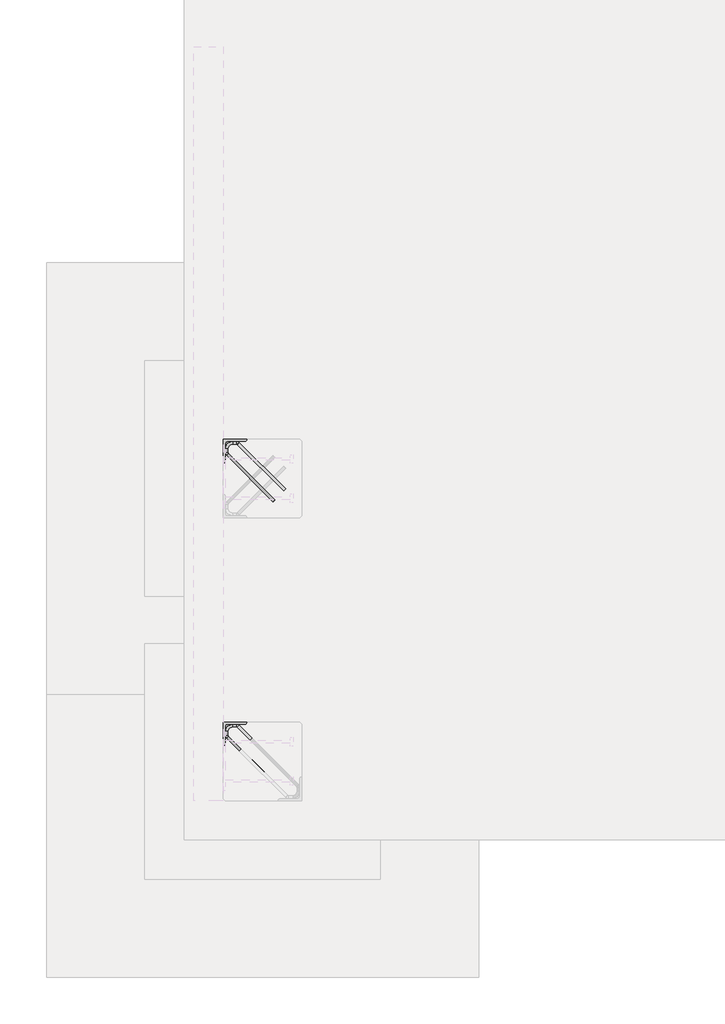
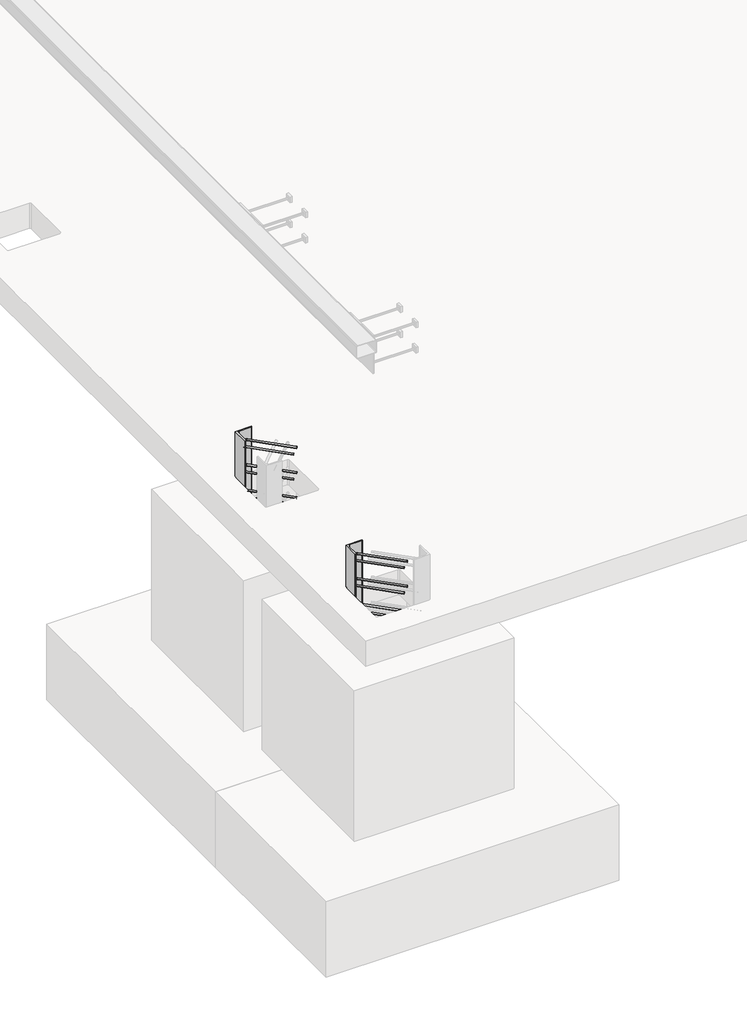
# One storey, part 2 of 65: 2 fasteners.
"""IFC4 building model written with IfcOpenShell, lengths in millimetres."""

from ifc_helpers import new_model, si_unit, point, frame, frame_2d, origin, place, context, project, spatial, polyline, circle_curve, ellipse_curve, trimmed, segment, composite_curve, outline, extrude, element, save
from ifc_brep_helpers import plane_surface, cylinder_surface, revolved_surface, advanced_brep

model = new_model("IFC4")

# Units and contexts
model_context = context("Model", 3, world=origin())
ifc_project = project(units=[si_unit("LENGTHUNIT", "METRE", prefix="MILLI")], contexts=[model_context])

# Site, building, storey
site = spatial("IfcSite", under=ifc_project)
building = spatial("IfcBuilding", under=site)
storey = spatial("IfcBuildingStorey", under=building, Elevation=0.0)

# Fasteners
placement = place(None, origin())
element("IfcFastener", 1, at=placement, inside=storey, context=model_context, shape_type="SolidModel", body=[
    advanced_brep(
    [(10117.4371209, 11387.4623741, -120.0), (10107.5376259, 11377.5628791, -120.0), (10052.5376259, 11322.5628791, -120.0), (10062.4371209, 11332.4623741, -120.0), (9824.0, 11593.0, -120.0), (9810.0, 11593.0, -120.0), (9810.0, 11574.2132034, -120.0), (9824.0, 11574.2132034, -120.0), (9847.0, 11616.0, -120.0), (9847.0, 11630.0, -120.0), (9865.7867966, 11616.0, -120.0), (9865.7867966, 11630.0, -120.0), (9881.3431458, 11623.5563492, -120.0), (9871.4436508, 11613.6568542, -120.0), (9826.3431458, 11568.5563492, -120.0), (9816.4436508, 11558.6568542, -120.0)],
    [
        (0, 1, circle_curve(frame((10112.4873734, 11382.5126266, -120.0), z_axis=(0.7071067811865446, -0.7071067811865505, 0.0), x_axis=(-0.7071067811865506, -0.7071067811865447, 0.0)), 7.0)),
        (1, 0, circle_curve(frame((10112.4873734, 11382.5126266, -120.0), z_axis=(0.7071067811865446, -0.7071067811865505, 0.0), x_axis=(-0.7071067811865506, -0.7071067811865447, 0.0)), 7.0)),
        (2, 3, circle_curve(frame((10057.4873734, 11327.5126266, -120.0), z_axis=(0.7071067811865447, -0.7071067811865503, 0.0), x_axis=(0.7071067811865503, 0.7071067811865447, 0.0)), 7.0)),
        (3, 2, circle_curve(frame((10057.4873734, 11327.5126266, -120.0), z_axis=(0.7071067811865447, -0.7071067811865503, 0.0), x_axis=(0.7071067811865503, 0.7071067811865447, 0.0)), 7.0)),
        (4, 5, circle_curve(frame((9817.0, 11593.0, -120.0), z_axis=(0.0, -1.0, 0.0), x_axis=(1.0, 0.0, 0.0)), 7.0)),
        (5, 6),
        (6, 7, circle_curve(frame((9817.0, 11574.2132034, -120.0), z_axis=(0.0, 1.0, 0.0), x_axis=(1.0, 0.0, 0.0)), 7.0)),
        (7, 4),
        (5, 4, circle_curve(frame((9817.0, 11593.0, -120.0), z_axis=(0.0, -1.0, 0.0), x_axis=(1.0, 0.0, 0.0)), 7.0)),
        (7, 6, circle_curve(frame((9817.0, 11574.2132034, -120.0), z_axis=(0.0, 1.0, 0.0), x_axis=(1.0, 0.0, 0.0)), 7.0)),
        (4, 8, circle_curve(frame((9847.0, 11593.0, -120.0), z_axis=(0.0, 0.0, -1.0), x_axis=(0.0, 1.0, 0.0)), 23.0)),
        (8, 9, circle_curve(frame((9847.0, 11623.0, -120.0), z_axis=(-1.0, 0.0, 0.0), x_axis=(0.0, -1.0, 0.0)), 7.0)),
        (9, 5, circle_curve(frame((9847.0, 11593.0, -120.0), z_axis=(0.0, 0.0, 1.0), x_axis=(0.0, 1.0, 0.0)), 37.0)),
        (9, 8, circle_curve(frame((9847.0, 11623.0, -120.0), z_axis=(-1.0, 0.0, 0.0), x_axis=(0.0, -1.0, 0.0)), 7.0)),
        (10, 11, circle_curve(frame((9865.7867966, 11623.0, -120.0), z_axis=(-1.0, 0.0, 0.0), x_axis=(0.0, -1.0, 0.0)), 7.0)),
        (11, 9),
        (8, 10),
        (11, 10, circle_curve(frame((9865.7867966, 11623.0, -120.0), z_axis=(-1.0, 0.0, 0.0), x_axis=(0.0, -1.0, 0.0)), 7.0)),
        (0, 12),
        (12, 13, circle_curve(frame((9876.3933983, 11618.6066017, -120.0), z_axis=(0.7071067811865446, -0.7071067811865505, 0.0), x_axis=(-0.7071067811865506, -0.7071067811865447, 0.0)), 7.0)),
        (13, 1),
        (13, 12, circle_curve(frame((9876.3933983, 11618.6066017, -120.0), z_axis=(0.7071067811865446, -0.7071067811865505, 0.0), x_axis=(-0.7071067811865506, -0.7071067811865447, 0.0)), 7.0)),
        (10, 13, circle_curve(frame((9865.7867966, 11608.0, -120.0), z_axis=(0.0, 0.0, -1.0), x_axis=(0.7071067811865506, 0.7071067811865445, 0.0)), 8.0)),
        (12, 11, circle_curve(frame((9865.7867966, 11608.0, -120.0), z_axis=(0.0, 0.0, 1.0), x_axis=(0.7071067811865506, 0.7071067811865445, 0.0)), 22.0)),
        (14, 7, circle_curve(frame((9832.0, 11574.2132034, -120.0), z_axis=(0.0, 0.0, -1.0), x_axis=(-1.0, 0.0, 0.0)), 8.0)),
        (6, 15, circle_curve(frame((9832.0, 11574.2132034, -120.0), z_axis=(0.0, 0.0, 1.0), x_axis=(-1.0, 0.0, 0.0)), 22.0)),
        (15, 14, circle_curve(frame((9821.3933983, 11563.6066017, -120.0), z_axis=(-0.7071067811865449, 0.7071067811865501, 0.0), x_axis=(0.7071067811865501, 0.7071067811865449, 0.0)), 7.0)),
        (14, 15, circle_curve(frame((9821.3933983, 11563.6066017, -120.0), z_axis=(-0.7071067811865452, 0.7071067811865498, 0.0), x_axis=(0.7071067811865498, 0.7071067811865452, 0.0)), 7.0)),
        (15, 2),
        (3, 14),
    ],
    [
        plane_surface(frame((10112.4873734, 11382.5126266, -120.0), z_axis=(0.7071067811865446, -0.7071067811865505, 0.0), x_axis=(0.0, 0.0, 1.0))),
        plane_surface(frame((10057.4873734, 11327.5126266, -120.0), z_axis=(0.7071067811865447, -0.7071067811865503, 0.0), x_axis=(0.0, 0.0, 1.0))),
        cylinder_surface(frame((9817.0, 11593.0, -120.0), z_axis=(0.0, 1.0, 0.0), x_axis=(1.0, 0.0, 0.0)), 7.0),
        revolved_surface(trimmed(ellipse_curve(frame((9847.0, 11623.0, -120.0), z_axis=(1.0, 0.0, 0.0), x_axis=(0.0, -1.0, 0.0)), 7.0, 7.0), [point((9847.0, 11630.0, -120.0))], [point((9847.0, 11616.0, -120.0))], True, "CARTESIAN"), (9847.0, 11593.0, -120.0), (0.0, 0.0, 1.0)),
        revolved_surface(trimmed(ellipse_curve(frame((9847.0, 11623.0, -120.0), z_axis=(1.0, 0.0, 0.0), x_axis=(0.0, -1.0, 0.0)), 7.0, 7.0), [point((9847.0, 11616.0, -120.0))], [point((9847.0, 11630.0, -120.0))], True, "CARTESIAN"), (9847.0, 11593.0, -120.0), (0.0, 0.0, 1.0)),
        cylinder_surface(frame((9865.7867966, 11623.0, -120.0), z_axis=(1.0, 0.0, 0.0), x_axis=(0.0, -1.0, 0.0)), 7.0),
        cylinder_surface(frame((10112.4873734, 11382.5126266, -120.0), z_axis=(0.7071067811865447, -0.7071067811865506, 0.0), x_axis=(-0.7071067811865506, -0.7071067811865447, 0.0)), 7.0),
        revolved_surface(trimmed(ellipse_curve(frame((9876.3933983, 11618.6066017, -120.0), z_axis=(0.7071067811865445, -0.7071067811865506, 0.0), x_axis=(-0.7071067811865506, -0.7071067811865445, 0.0)), 7.0, 7.0), [point((9881.3431458, 11623.5563492, -120.0))], [point((9871.4436508, 11613.6568542, -120.0))], True, "CARTESIAN"), (9865.7867966, 11608.0, -120.0), (0.0, 0.0, 1.0)),
        revolved_surface(trimmed(ellipse_curve(frame((9876.3933983, 11618.6066017, -120.0), z_axis=(0.7071067811865445, -0.7071067811865506, 0.0), x_axis=(-0.7071067811865506, -0.7071067811865445, 0.0)), 7.0, 7.0), [point((9871.4436508, 11613.6568542, -120.0))], [point((9881.3431458, 11623.5563492, -120.0))], True, "CARTESIAN"), (9865.7867966, 11608.0, -120.0), (0.0, 0.0, 1.0)),
        revolved_surface(trimmed(ellipse_curve(frame((9817.0, 11574.2132034, -120.0), z_axis=(0.0, 1.0, 0.0), x_axis=(1.0, 0.0, 0.0)), 7.0, 7.0), [point((9810.0, 11574.2132034, -120.0))], [point((9824.0, 11574.2132034, -120.0))], True, "CARTESIAN"), (9832.0, 11574.2132034, -120.0), (0.0, 0.0, 1.0)),
        revolved_surface(trimmed(ellipse_curve(frame((9817.0, 11574.2132034, -120.0), z_axis=(0.0, 1.0, 0.0), x_axis=(1.0, 0.0, 0.0)), 7.0, 7.0), [point((9824.0, 11574.2132034, -120.0))], [point((9810.0, 11574.2132034, -120.0))], True, "CARTESIAN"), (9832.0, 11574.2132034, -120.0), (0.0, 0.0, 1.0)),
        cylinder_surface(frame((9821.3933983, 11563.6066017, -120.0), z_axis=(-0.7071067811865447, 0.7071067811865503, 0.0), x_axis=(0.7071067811865503, 0.7071067811865447, 0.0)), 7.0),
    ],
    [
        (0, [[1, 2]]),
        (1, [[3, 4]]),
        (2, [[5, 6, 7, 8]]),
        (2, [[9, -8, 10, -6]]),
        (3, [[11, 12, 13, -5]]),
        (4, [[-13, 14, -11, -9]]),
        (5, [[15, 16, -12, 17]]),
        (5, [[18, -17, -14, -16]]),
        (6, [[-1, 19, 20, 21]]),
        (6, [[-2, -21, 22, -19]]),
        (7, [[23, -20, 24, -15]]),
        (8, [[-24, -22, -23, -18]]),
        (9, [[25, -7, 26, 27]]),
        (10, [[-26, -10, -25, 28]]),
        (11, [[-27, 29, -4, 30]]),
        (11, [[-28, -30, -3, -29]]),
    ],
),
    advanced_brep(
    [(10107.5376259, 11377.5628791, 280.0), (10117.4371209, 11387.4623741, 280.0), (10062.4371209, 11332.4623741, 280.0), (10052.5376259, 11322.5628791, 280.0), (9810.0, 11593.0, 280.0), (9824.0, 11593.0, 280.0), (9824.0, 11574.2132034, 280.0), (9810.0, 11574.2132034, 280.0), (9847.0, 11630.0, 280.0), (9847.0, 11616.0, 280.0), (9865.7867966, 11630.0, 280.0), (9865.7867966, 11616.0, 280.0), (9871.4436508, 11613.6568542, 280.0), (9881.3431458, 11623.5563492, 280.0), (9816.4436508, 11558.6568542, 280.0), (9826.3431458, 11568.5563492, 280.0)],
    [
        (0, 1, circle_curve(frame((10112.4873734, 11382.5126266, 280.0), z_axis=(0.7071067811865446, -0.7071067811865505, 0.0), x_axis=(0.7071067811865506, 0.7071067811865447, 0.0)), 7.0)),
        (1, 0, circle_curve(frame((10112.4873734, 11382.5126266, 280.0), z_axis=(0.7071067811865446, -0.7071067811865505, 0.0), x_axis=(0.7071067811865506, 0.7071067811865447, 0.0)), 7.0)),
        (2, 3, circle_curve(frame((10057.4873734, 11327.5126266, 280.0), z_axis=(0.7071067811865447, -0.7071067811865505, 0.0), x_axis=(-0.7071067811865505, -0.7071067811865447, 0.0)), 7.0)),
        (3, 2, circle_curve(frame((10057.4873734, 11327.5126266, 280.0), z_axis=(0.7071067811865447, -0.7071067811865505, 0.0), x_axis=(-0.7071067811865505, -0.7071067811865447, 0.0)), 7.0)),
        (4, 5, circle_curve(frame((9817.0, 11593.0, 280.0), z_axis=(0.0, -1.0, 0.0), x_axis=(-1.0, 0.0, 0.0)), 7.0)),
        (5, 6),
        (6, 7, circle_curve(frame((9817.0, 11574.2132034, 280.0), z_axis=(0.0, 1.0, 0.0), x_axis=(-1.0, 0.0, 0.0)), 7.0)),
        (7, 4),
        (5, 4, circle_curve(frame((9817.0, 11593.0, 280.0), z_axis=(0.0, -1.0, 0.0), x_axis=(-1.0, 0.0, 0.0)), 7.0)),
        (7, 6, circle_curve(frame((9817.0, 11574.2132034, 280.0), z_axis=(0.0, 1.0, 0.0), x_axis=(-1.0, 0.0, 0.0)), 7.0)),
        (4, 8, circle_curve(frame((9847.0, 11593.0, 280.0), z_axis=(0.0, 0.0, -1.0), x_axis=(0.0, 1.0, 0.0)), 37.0)),
        (8, 9, circle_curve(frame((9847.0, 11623.0, 280.0), z_axis=(-1.0, 0.0, 0.0), x_axis=(0.0, 1.0, 0.0)), 7.0)),
        (9, 5, circle_curve(frame((9847.0, 11593.0, 280.0), z_axis=(0.0, 0.0, 1.0), x_axis=(0.0, 1.0, 0.0)), 23.0)),
        (9, 8, circle_curve(frame((9847.0, 11623.0, 280.0), z_axis=(-1.0, 0.0, 0.0), x_axis=(0.0, 1.0, 0.0)), 7.0)),
        (10, 11, circle_curve(frame((9865.7867966, 11623.0, 280.0), z_axis=(-1.0, 0.0, 0.0), x_axis=(0.0, 1.0, 0.0)), 7.0)),
        (11, 9),
        (8, 10),
        (11, 10, circle_curve(frame((9865.7867966, 11623.0, 280.0), z_axis=(-1.0, 0.0, 0.0), x_axis=(0.0, 1.0, 0.0)), 7.0)),
        (0, 12),
        (12, 13, circle_curve(frame((9876.3933983, 11618.6066017, 280.0), z_axis=(0.7071067811865446, -0.7071067811865505, 0.0), x_axis=(0.7071067811865506, 0.7071067811865447, 0.0)), 7.0)),
        (13, 1),
        (13, 12, circle_curve(frame((9876.3933983, 11618.6066017, 280.0), z_axis=(0.7071067811865446, -0.7071067811865505, 0.0), x_axis=(0.7071067811865506, 0.7071067811865447, 0.0)), 7.0)),
        (10, 13, circle_curve(frame((9865.7867966, 11608.0, 280.0), z_axis=(0.0, 0.0, -1.0), x_axis=(0.7071067811865506, 0.7071067811865445, 0.0)), 22.0)),
        (12, 11, circle_curve(frame((9865.7867966, 11608.0, 280.0), z_axis=(0.0, 0.0, 1.0), x_axis=(0.7071067811865506, 0.7071067811865445, 0.0)), 8.0)),
        (14, 7, circle_curve(frame((9832.0, 11574.2132034, 280.0), z_axis=(0.0, 0.0, -1.0), x_axis=(-1.0, 0.0, 0.0)), 22.0)),
        (6, 15, circle_curve(frame((9832.0, 11574.2132034, 280.0), z_axis=(0.0, 0.0, 1.0), x_axis=(-1.0, 0.0, 0.0)), 8.0)),
        (15, 14, circle_curve(frame((9821.3933983, 11563.6066017, 280.0), z_axis=(-0.7071067811865465, 0.7071067811865486, 0.0), x_axis=(-0.7071067811865486, -0.7071067811865465, 0.0)), 7.0)),
        (14, 15, circle_curve(frame((9821.3933983, 11563.6066017, 280.0), z_axis=(-0.7071067811865455, 0.7071067811865496, 0.0), x_axis=(-0.7071067811865496, -0.7071067811865455, 0.0)), 7.0)),
        (15, 2),
        (3, 14),
    ],
    [
        plane_surface(frame((10112.4873734, 11382.5126266, 280.0), z_axis=(0.7071067811865446, -0.7071067811865505, 0.0), x_axis=(0.0, 0.0, -1.0))),
        plane_surface(frame((10057.4873734, 11327.5126266, 280.0), z_axis=(0.7071067811865447, -0.7071067811865505, 0.0), x_axis=(0.0, 0.0, -1.0))),
        cylinder_surface(frame((9817.0, 11593.0, 280.0), z_axis=(0.0, 1.0, 0.0), x_axis=(-1.0, 0.0, 0.0)), 7.0),
        revolved_surface(trimmed(ellipse_curve(frame((9847.0, 11623.0, 280.0), z_axis=(1.0, 0.0, 0.0), x_axis=(0.0, 1.0, 0.0)), 7.0, 7.0), [point((9847.0, 11616.0, 280.0))], [point((9847.0, 11630.0, 280.0))], True, "CARTESIAN"), (9847.0, 11593.0, 280.0), (0.0, 0.0, 1.0)),
        revolved_surface(trimmed(ellipse_curve(frame((9847.0, 11623.0, 280.0), z_axis=(1.0, 0.0, 0.0), x_axis=(0.0, 1.0, 0.0)), 7.0, 7.0), [point((9847.0, 11630.0, 280.0))], [point((9847.0, 11616.0, 280.0))], True, "CARTESIAN"), (9847.0, 11593.0, 280.0), (0.0, 0.0, 1.0)),
        cylinder_surface(frame((9865.7867966, 11623.0, 280.0), z_axis=(1.0, 0.0, 0.0), x_axis=(0.0, 1.0, 0.0)), 7.0),
        cylinder_surface(frame((10112.4873734, 11382.5126266, 280.0), z_axis=(0.7071067811865447, -0.7071067811865506, 0.0), x_axis=(0.7071067811865506, 0.7071067811865447, 0.0)), 7.0),
        revolved_surface(trimmed(ellipse_curve(frame((9876.3933983, 11618.6066017, 280.0), z_axis=(0.7071067811865445, -0.7071067811865506, 0.0), x_axis=(0.7071067811865506, 0.7071067811865445, 0.0)), 7.0, 7.0), [point((9871.4436508, 11613.6568542, 280.0))], [point((9881.3431458, 11623.5563492, 280.0))], True, "CARTESIAN"), (9865.7867966, 11608.0, 280.0), (0.0, 0.0, 1.0)),
        revolved_surface(trimmed(ellipse_curve(frame((9876.3933983, 11618.6066017, 280.0), z_axis=(0.7071067811865445, -0.7071067811865506, 0.0), x_axis=(0.7071067811865506, 0.7071067811865445, 0.0)), 7.0, 7.0), [point((9881.3431458, 11623.5563492, 280.0))], [point((9871.4436508, 11613.6568542, 280.0))], True, "CARTESIAN"), (9865.7867966, 11608.0, 280.0), (0.0, 0.0, 1.0)),
        revolved_surface(trimmed(ellipse_curve(frame((9817.0, 11574.2132034, 280.0), z_axis=(0.0, 1.0, 0.0), x_axis=(-1.0, 0.0, 0.0)), 7.0, 7.0), [point((9824.0, 11574.2132034, 280.0))], [point((9810.0, 11574.2132034, 280.0))], True, "CARTESIAN"), (9832.0, 11574.2132034, 280.0), (0.0, 0.0, 1.0)),
        revolved_surface(trimmed(ellipse_curve(frame((9817.0, 11574.2132034, 280.0), z_axis=(0.0, 1.0, 0.0), x_axis=(-1.0, 0.0, 0.0)), 7.0, 7.0), [point((9810.0, 11574.2132034, 280.0))], [point((9824.0, 11574.2132034, 280.0))], True, "CARTESIAN"), (9832.0, 11574.2132034, 280.0), (0.0, 0.0, 1.0)),
        cylinder_surface(frame((9821.3933983, 11563.6066017, 280.0), z_axis=(-0.7071067811865447, 0.7071067811865505, 0.0), x_axis=(-0.7071067811865505, -0.7071067811865447, 0.0)), 7.0),
    ],
    [
        (0, [[1, 2]]),
        (1, [[3, 4]]),
        (2, [[5, 6, 7, 8]]),
        (2, [[9, -8, 10, -6]]),
        (3, [[11, 12, 13, -5]]),
        (4, [[-13, 14, -11, -9]]),
        (5, [[15, 16, -12, 17]]),
        (5, [[18, -17, -14, -16]]),
        (6, [[-1, 19, 20, 21]]),
        (6, [[-2, -21, 22, -19]]),
        (7, [[23, -20, 24, -15]]),
        (8, [[-24, -22, -23, -18]]),
        (9, [[25, -7, 26, 27]]),
        (10, [[-26, -10, -25, 28]]),
        (11, [[-27, 29, -4, 30]]),
        (11, [[-28, -30, -3, -29]]),
    ],
),
    advanced_brep(
    [(10107.5376259, 11377.5628791, 80.0), (10117.4371209, 11387.4623741, 80.0), (10062.4371209, 11332.4623741, 80.0), (10052.5376259, 11322.5628791, 80.0), (9810.0, 11593.0, 80.0), (9824.0, 11593.0, 80.0), (9824.0, 11574.2132034, 80.0), (9810.0, 11574.2132034, 80.0), (9847.0, 11630.0, 80.0), (9847.0, 11616.0, 80.0), (9865.7867966, 11630.0, 80.0), (9865.7867966, 11616.0, 80.0), (9871.4436508, 11613.6568542, 80.0), (9881.3431458, 11623.5563492, 80.0), (9816.4436508, 11558.6568542, 80.0), (9826.3431458, 11568.5563492, 80.0)],
    [
        (0, 1, circle_curve(frame((10112.4873734, 11382.5126266, 80.0), z_axis=(0.7071067811865446, -0.7071067811865505, 0.0), x_axis=(0.7071067811865505, 0.7071067811865446, 0.0)), 7.0)),
        (1, 0, circle_curve(frame((10112.4873734, 11382.5126266, 80.0), z_axis=(0.7071067811865446, -0.7071067811865505, 0.0), x_axis=(0.7071067811865505, 0.7071067811865446, 0.0)), 7.0)),
        (2, 3, circle_curve(frame((10057.4873734, 11327.5126266, 80.0), z_axis=(0.7071067811865447, -0.7071067811865505, 0.0), x_axis=(-0.7071067811865505, -0.7071067811865447, 0.0)), 7.0)),
        (3, 2, circle_curve(frame((10057.4873734, 11327.5126266, 80.0), z_axis=(0.7071067811865447, -0.7071067811865505, 0.0), x_axis=(-0.7071067811865505, -0.7071067811865447, 0.0)), 7.0)),
        (4, 5, circle_curve(frame((9817.0, 11593.0, 80.0), z_axis=(0.0, -1.0, 0.0), x_axis=(-1.0, 0.0, 0.0)), 7.0)),
        (5, 6),
        (6, 7, circle_curve(frame((9817.0, 11574.2132034, 80.0), z_axis=(0.0, 1.0, 0.0), x_axis=(-1.0, 0.0, 0.0)), 7.0)),
        (7, 4),
        (5, 4, circle_curve(frame((9817.0, 11593.0, 80.0), z_axis=(0.0, -1.0, 0.0), x_axis=(-1.0, 0.0, 0.0)), 7.0)),
        (7, 6, circle_curve(frame((9817.0, 11574.2132034, 80.0), z_axis=(0.0, 1.0, 0.0), x_axis=(-1.0, 0.0, 0.0)), 7.0)),
        (4, 8, circle_curve(frame((9847.0, 11593.0, 80.0), z_axis=(0.0, 0.0, -1.0), x_axis=(0.0, 1.0, 0.0)), 37.0)),
        (8, 9, circle_curve(frame((9847.0, 11623.0, 80.0), z_axis=(-1.0, 0.0, 0.0), x_axis=(0.0, 1.0, 0.0)), 7.0)),
        (9, 5, circle_curve(frame((9847.0, 11593.0, 80.0), z_axis=(0.0, 0.0, 1.0), x_axis=(0.0, 1.0, 0.0)), 23.0)),
        (9, 8, circle_curve(frame((9847.0, 11623.0, 80.0), z_axis=(-1.0, 0.0, 0.0), x_axis=(0.0, 1.0, 0.0)), 7.0)),
        (10, 11, circle_curve(frame((9865.7867966, 11623.0, 80.0), z_axis=(-1.0, 0.0, 0.0), x_axis=(0.0, 1.0, 0.0)), 7.0)),
        (11, 9),
        (8, 10),
        (11, 10, circle_curve(frame((9865.7867966, 11623.0, 80.0), z_axis=(-1.0, 0.0, 0.0), x_axis=(0.0, 1.0, 0.0)), 7.0)),
        (0, 12),
        (12, 13, circle_curve(frame((9876.3933983, 11618.6066017, 80.0), z_axis=(0.7071067811865446, -0.7071067811865505, 0.0), x_axis=(0.7071067811865505, 0.7071067811865446, 0.0)), 7.0)),
        (13, 1),
        (13, 12, circle_curve(frame((9876.3933983, 11618.6066017, 80.0), z_axis=(0.7071067811865446, -0.7071067811865505, 0.0), x_axis=(0.7071067811865505, 0.7071067811865446, 0.0)), 7.0)),
        (10, 13, circle_curve(frame((9865.7867966, 11608.0, 80.0), z_axis=(0.0, 0.0, -1.0), x_axis=(0.7071067811865506, 0.7071067811865445, 0.0)), 22.0)),
        (12, 11, circle_curve(frame((9865.7867966, 11608.0, 80.0), z_axis=(0.0, 0.0, 1.0), x_axis=(0.7071067811865506, 0.7071067811865445, 0.0)), 8.0)),
        (14, 7, circle_curve(frame((9832.0, 11574.2132034, 80.0), z_axis=(0.0, 0.0, -1.0), x_axis=(-1.0, 0.0, 0.0)), 22.0)),
        (6, 15, circle_curve(frame((9832.0, 11574.2132034, 80.0), z_axis=(0.0, 0.0, 1.0), x_axis=(-1.0, 0.0, 0.0)), 8.0)),
        (15, 14, circle_curve(frame((9821.3933983, 11563.6066017, 80.0), z_axis=(-0.7071067811865448, 0.7071067811865502, 0.0), x_axis=(-0.7071067811865502, -0.7071067811865448, 0.0)), 7.0)),
        (14, 15, circle_curve(frame((9821.3933983, 11563.6066017, 80.0), z_axis=(-0.7071067811865449, 0.7071067811865501, 0.0), x_axis=(-0.7071067811865501, -0.7071067811865449, 0.0)), 7.0)),
        (15, 2),
        (3, 14),
    ],
    [
        plane_surface(frame((10112.4873734, 11382.5126266, 80.0), z_axis=(0.7071067811865446, -0.7071067811865505, 0.0), x_axis=(0.0, 0.0, -1.0))),
        plane_surface(frame((10057.4873734, 11327.5126266, 80.0), z_axis=(0.7071067811865448, -0.7071067811865503, 0.0), x_axis=(0.0, 0.0, -1.0))),
        cylinder_surface(frame((9817.0, 11593.0, 80.0), z_axis=(0.0, 1.0, 0.0), x_axis=(-1.0, 0.0, 0.0)), 7.0),
        revolved_surface(trimmed(ellipse_curve(frame((9847.0, 11623.0, 80.0), z_axis=(1.0, 0.0, 0.0), x_axis=(0.0, 1.0, 0.0)), 7.0, 7.0), [point((9847.0, 11616.0, 80.0))], [point((9847.0, 11630.0, 80.0))], True, "CARTESIAN"), (9847.0, 11593.0, 80.0), (0.0, 0.0, 1.0)),
        revolved_surface(trimmed(ellipse_curve(frame((9847.0, 11623.0, 80.0), z_axis=(1.0, 0.0, 0.0), x_axis=(0.0, 1.0, 0.0)), 7.0, 7.0), [point((9847.0, 11630.0, 80.0))], [point((9847.0, 11616.0, 80.0))], True, "CARTESIAN"), (9847.0, 11593.0, 80.0), (0.0, 0.0, 1.0)),
        cylinder_surface(frame((9865.7867966, 11623.0, 80.0), z_axis=(1.0, 0.0, 0.0), x_axis=(0.0, 1.0, 0.0)), 7.0),
        cylinder_surface(frame((10112.4873734, 11382.5126266, 80.0), z_axis=(0.7071067811865446, -0.7071067811865505, 0.0), x_axis=(0.7071067811865505, 0.7071067811865446, 0.0)), 7.0),
        revolved_surface(trimmed(ellipse_curve(frame((9876.3933983, 11618.6066017, 80.0), z_axis=(0.7071067811865444, -0.7071067811865507, 0.0), x_axis=(0.7071067811865507, 0.7071067811865444, 0.0)), 7.0, 7.0), [point((9871.4436508, 11613.6568542, 80.0))], [point((9881.3431458, 11623.5563492, 80.0))], True, "CARTESIAN"), (9865.7867966, 11608.0, 80.0), (0.0, 0.0, 1.0)),
        revolved_surface(trimmed(ellipse_curve(frame((9876.3933983, 11618.6066017, 80.0), z_axis=(0.7071067811865444, -0.7071067811865507, 0.0), x_axis=(0.7071067811865507, 0.7071067811865444, 0.0)), 7.0, 7.0), [point((9881.3431458, 11623.5563492, 80.0))], [point((9871.4436508, 11613.6568542, 80.0))], True, "CARTESIAN"), (9865.7867966, 11608.0, 80.0), (0.0, 0.0, 1.0)),
        revolved_surface(trimmed(ellipse_curve(frame((9817.0, 11574.2132034, 80.0), z_axis=(0.0, 1.0, 0.0), x_axis=(-1.0, 0.0, 0.0)), 7.0, 7.0), [point((9824.0, 11574.2132034, 80.0))], [point((9810.0, 11574.2132034, 80.0))], True, "CARTESIAN"), (9832.0, 11574.2132034, 80.0), (0.0, 0.0, 1.0)),
        revolved_surface(trimmed(ellipse_curve(frame((9817.0, 11574.2132034, 80.0), z_axis=(0.0, 1.0, 0.0), x_axis=(-1.0, 0.0, 0.0)), 7.0, 7.0), [point((9810.0, 11574.2132034, 80.0))], [point((9824.0, 11574.2132034, 80.0))], True, "CARTESIAN"), (9832.0, 11574.2132034, 80.0), (0.0, 0.0, 1.0)),
        cylinder_surface(frame((9821.3933983, 11563.6066017, 80.0), z_axis=(-0.7071067811865447, 0.7071067811865505, 0.0), x_axis=(-0.7071067811865505, -0.7071067811865447, 0.0)), 7.0),
    ],
    [
        (0, [[1, 2]]),
        (1, [[3, 4]]),
        (2, [[5, 6, 7, 8]]),
        (2, [[9, -8, 10, -6]]),
        (3, [[11, 12, 13, -5]]),
        (4, [[-13, 14, -11, -9]]),
        (5, [[15, 16, -12, 17]]),
        (5, [[18, -17, -14, -16]]),
        (6, [[-1, 19, 20, 21]]),
        (6, [[-2, -21, 22, -19]]),
        (7, [[23, -20, 24, -15]]),
        (8, [[-24, -22, -23, -18]]),
        (9, [[25, -7, 26, 27]]),
        (10, [[-26, -10, -25, 28]]),
        (11, [[-27, 29, -4, 30]]),
        (11, [[-28, -30, -3, -29]]),
    ],
),
    extrude(outline(composite_curve([segment(polyline([(9800.0, 11640.0), (9920.0, 11640.0), (9920.0, 11636.5)]), True, "CONTINUOUS"), segment(trimmed(circle_curve(frame_2d((9913.5, 11636.5)), 6.5), [point((9920.0, 11636.5))], [point((9913.5, 11630.0))], False, "CARTESIAN"), True, "CONTINUOUS"), segment(polyline([(9913.5, 11630.0), (9823.0, 11630.0)]), True, "CONTINUOUS"), segment(trimmed(circle_curve(frame_2d((9823.0, 11617.0)), 13.0), [point((9823.0, 11630.0))], [point((9810.0, 11617.0))], True, "CARTESIAN"), True, "CONTINUOUS"), segment(polyline([(9810.0, 11617.0), (9810.0, 11526.5)]), True, "CONTINUOUS"), segment(trimmed(circle_curve(frame_2d((9803.5, 11526.5)), 6.5), [point((9810.0, 11526.5))], [point((9803.5, 11520.0))], False, "CARTESIAN"), True, "CONTINUOUS"), segment(polyline([(9803.5, 11520.0), (9800.0, 11520.0), (9800.0, 11640.0)]), True, "CONTINUOUS")], self_intersect=False)), frame((0.0, 0.0, -200.0), z_axis=(0.0, 0.0, 1.0), x_axis=(1.0, 0.0, 0.0)), (0.0, 0.0, 1.0), 560.0),
])
element("IfcFastener", 2, at=placement, inside=storey, context=model_context, shape_type="SolidModel", body=[
    advanced_brep(
    [(10117.4371209, 9947.4623741, -150.0), (10107.5376259, 9937.5628791, -150.0), (10052.5376259, 9882.5628791, -150.0), (10062.4371209, 9892.4623741, -150.0), (9824.0, 10153.0, -150.0), (9810.0, 10153.0, -150.0), (9810.0, 10134.2132034, -150.0), (9824.0, 10134.2132034, -150.0), (9847.0, 10176.0, -150.0), (9847.0, 10190.0, -150.0), (9865.7867966, 10176.0, -150.0), (9865.7867966, 10190.0, -150.0), (9881.3431458, 10183.5563492, -150.0), (9871.4436508, 10173.6568542, -150.0), (9826.3431458, 10128.5563492, -150.0), (9816.4436508, 10118.6568542, -150.0)],
    [
        (0, 1, circle_curve(frame((10112.4873734, 9942.5126266, -150.0), z_axis=(0.7071067811865446, -0.7071067811865505, 0.0), x_axis=(-0.7071067811865506, -0.7071067811865447, 0.0)), 7.0)),
        (1, 0, circle_curve(frame((10112.4873734, 9942.5126266, -150.0), z_axis=(0.7071067811865446, -0.7071067811865505, 0.0), x_axis=(-0.7071067811865506, -0.7071067811865447, 0.0)), 7.0)),
        (2, 3, circle_curve(frame((10057.4873734, 9887.5126266, -150.0), z_axis=(0.7071067811865447, -0.7071067811865503, 0.0), x_axis=(0.7071067811865503, 0.7071067811865447, 0.0)), 7.0)),
        (3, 2, circle_curve(frame((10057.4873734, 9887.5126266, -150.0), z_axis=(0.7071067811865447, -0.7071067811865503, 0.0), x_axis=(0.7071067811865503, 0.7071067811865447, 0.0)), 7.0)),
        (4, 5, circle_curve(frame((9817.0, 10153.0, -150.0), z_axis=(0.0, -1.0, 0.0), x_axis=(1.0, 0.0, 0.0)), 7.0)),
        (5, 6),
        (6, 7, circle_curve(frame((9817.0, 10134.2132034, -150.0), z_axis=(0.0, 1.0, 0.0), x_axis=(1.0, 0.0, 0.0)), 7.0)),
        (7, 4),
        (5, 4, circle_curve(frame((9817.0, 10153.0, -150.0), z_axis=(0.0, -1.0, 0.0), x_axis=(1.0, 0.0, 0.0)), 7.0)),
        (7, 6, circle_curve(frame((9817.0, 10134.2132034, -150.0), z_axis=(0.0, 1.0, 0.0), x_axis=(1.0, 0.0, 0.0)), 7.0)),
        (4, 8, circle_curve(frame((9847.0, 10153.0, -150.0), z_axis=(0.0, 0.0, -1.0), x_axis=(0.0, 1.0, 0.0)), 23.0)),
        (8, 9, circle_curve(frame((9847.0, 10183.0, -150.0), z_axis=(-1.0, 0.0, 0.0), x_axis=(0.0, -1.0, 0.0)), 7.0)),
        (9, 5, circle_curve(frame((9847.0, 10153.0, -150.0), z_axis=(0.0, 0.0, 1.0), x_axis=(0.0, 1.0, 0.0)), 37.0)),
        (9, 8, circle_curve(frame((9847.0, 10183.0, -150.0), z_axis=(-1.0, 0.0, 0.0), x_axis=(0.0, -1.0, 0.0)), 7.0)),
        (10, 11, circle_curve(frame((9865.7867966, 10183.0, -150.0), z_axis=(-1.0, 0.0, 0.0), x_axis=(0.0, -1.0, 0.0)), 7.0)),
        (11, 9),
        (8, 10),
        (11, 10, circle_curve(frame((9865.7867966, 10183.0, -150.0), z_axis=(-1.0, 0.0, 0.0), x_axis=(0.0, -1.0, 0.0)), 7.0)),
        (0, 12),
        (12, 13, circle_curve(frame((9876.3933983, 10178.6066017, -150.0), z_axis=(0.7071067811865446, -0.7071067811865505, 0.0), x_axis=(-0.7071067811865506, -0.7071067811865447, 0.0)), 7.0)),
        (13, 1),
        (13, 12, circle_curve(frame((9876.3933983, 10178.6066017, -150.0), z_axis=(0.7071067811865446, -0.7071067811865505, 0.0), x_axis=(-0.7071067811865506, -0.7071067811865447, 0.0)), 7.0)),
        (10, 13, circle_curve(frame((9865.7867966, 10168.0, -150.0), z_axis=(0.0, 0.0, -1.0), x_axis=(0.7071067811865506, 0.7071067811865445, 0.0)), 8.0)),
        (12, 11, circle_curve(frame((9865.7867966, 10168.0, -150.0), z_axis=(0.0, 0.0, 1.0), x_axis=(0.7071067811865506, 0.7071067811865445, 0.0)), 22.0)),
        (14, 7, circle_curve(frame((9832.0, 10134.2132034, -150.0), z_axis=(0.0, 0.0, -1.0), x_axis=(-1.0, 0.0, 0.0)), 8.0)),
        (6, 15, circle_curve(frame((9832.0, 10134.2132034, -150.0), z_axis=(0.0, 0.0, 1.0), x_axis=(-1.0, 0.0, 0.0)), 22.0)),
        (15, 14, circle_curve(frame((9821.3933983, 10123.6066017, -150.0), z_axis=(-0.7071067811865449, 0.7071067811865501, 0.0), x_axis=(0.7071067811865501, 0.7071067811865449, 0.0)), 7.0)),
        (14, 15, circle_curve(frame((9821.3933983, 10123.6066017, -150.0), z_axis=(-0.7071067811865452, 0.7071067811865498, 0.0), x_axis=(0.7071067811865498, 0.7071067811865452, 0.0)), 7.0)),
        (15, 2),
        (3, 14),
    ],
    [
        plane_surface(frame((10112.4873734, 9942.5126266, -150.0), z_axis=(0.7071067811865446, -0.7071067811865505, 0.0), x_axis=(0.0, 0.0, 1.0))),
        plane_surface(frame((10057.4873734, 9887.5126266, -150.0), z_axis=(0.7071067811865447, -0.7071067811865503, 0.0), x_axis=(0.0, 0.0, 1.0))),
        cylinder_surface(frame((9817.0, 10153.0, -150.0), z_axis=(0.0, 1.0, 0.0), x_axis=(1.0, 0.0, 0.0)), 7.0),
        revolved_surface(trimmed(ellipse_curve(frame((9847.0, 10183.0, -150.0), z_axis=(1.0, 0.0, 0.0), x_axis=(0.0, -1.0, 0.0)), 7.0, 7.0), [point((9847.0, 10190.0, -150.0))], [point((9847.0, 10176.0, -150.0))], True, "CARTESIAN"), (9847.0, 10153.0, -150.0), (0.0, 0.0, 1.0)),
        revolved_surface(trimmed(ellipse_curve(frame((9847.0, 10183.0, -150.0), z_axis=(1.0, 0.0, 0.0), x_axis=(0.0, -1.0, 0.0)), 7.0, 7.0), [point((9847.0, 10176.0, -150.0))], [point((9847.0, 10190.0, -150.0))], True, "CARTESIAN"), (9847.0, 10153.0, -150.0), (0.0, 0.0, 1.0)),
        cylinder_surface(frame((9865.7867966, 10183.0, -150.0), z_axis=(1.0, 0.0, 0.0), x_axis=(0.0, -1.0, 0.0)), 7.0),
        cylinder_surface(frame((10112.4873734, 9942.5126266, -150.0), z_axis=(0.7071067811865447, -0.7071067811865506, 0.0), x_axis=(-0.7071067811865506, -0.7071067811865447, 0.0)), 7.0),
        revolved_surface(trimmed(ellipse_curve(frame((9876.3933983, 10178.6066017, -150.0), z_axis=(0.7071067811865445, -0.7071067811865506, 0.0), x_axis=(-0.7071067811865506, -0.7071067811865445, 0.0)), 7.0, 7.0), [point((9881.3431458, 10183.5563492, -150.0))], [point((9871.4436508, 10173.6568542, -150.0))], True, "CARTESIAN"), (9865.7867966, 10168.0, -150.0), (0.0, 0.0, 1.0)),
        revolved_surface(trimmed(ellipse_curve(frame((9876.3933983, 10178.6066017, -150.0), z_axis=(0.7071067811865445, -0.7071067811865506, 0.0), x_axis=(-0.7071067811865506, -0.7071067811865445, 0.0)), 7.0, 7.0), [point((9871.4436508, 10173.6568542, -150.0))], [point((9881.3431458, 10183.5563492, -150.0))], True, "CARTESIAN"), (9865.7867966, 10168.0, -150.0), (0.0, 0.0, 1.0)),
        revolved_surface(trimmed(ellipse_curve(frame((9817.0, 10134.2132034, -150.0), z_axis=(0.0, 1.0, 0.0), x_axis=(1.0, 0.0, 0.0)), 7.0, 7.0), [point((9810.0, 10134.2132034, -150.0))], [point((9824.0, 10134.2132034, -150.0))], True, "CARTESIAN"), (9832.0, 10134.2132034, -150.0), (0.0, 0.0, 1.0)),
        revolved_surface(trimmed(ellipse_curve(frame((9817.0, 10134.2132034, -150.0), z_axis=(0.0, 1.0, 0.0), x_axis=(1.0, 0.0, 0.0)), 7.0, 7.0), [point((9824.0, 10134.2132034, -150.0))], [point((9810.0, 10134.2132034, -150.0))], True, "CARTESIAN"), (9832.0, 10134.2132034, -150.0), (0.0, 0.0, 1.0)),
        cylinder_surface(frame((9821.3933983, 10123.6066017, -150.0), z_axis=(-0.7071067811865447, 0.7071067811865503, 0.0), x_axis=(0.7071067811865503, 0.7071067811865447, 0.0)), 7.0),
    ],
    [
        (0, [[1, 2]]),
        (1, [[3, 4]]),
        (2, [[5, 6, 7, 8]]),
        (2, [[9, -8, 10, -6]]),
        (3, [[11, 12, 13, -5]]),
        (4, [[-13, 14, -11, -9]]),
        (5, [[15, 16, -12, 17]]),
        (5, [[18, -17, -14, -16]]),
        (6, [[-1, 19, 20, 21]]),
        (6, [[-2, -21, 22, -19]]),
        (7, [[23, -20, 24, -15]]),
        (8, [[-24, -22, -23, -18]]),
        (9, [[25, -7, 26, 27]]),
        (10, [[-26, -10, -25, 28]]),
        (11, [[-27, 29, -4, 30]]),
        (11, [[-28, -30, -3, -29]]),
    ],
),
    advanced_brep(
    [(10107.5376259, 9937.5628791, 250.0), (10117.4371209, 9947.4623741, 250.0), (10062.4371209, 9892.4623741, 250.0), (10052.5376259, 9882.5628791, 250.0), (9810.0, 10153.0, 250.0), (9824.0, 10153.0, 250.0), (9824.0, 10134.2132034, 250.0), (9810.0, 10134.2132034, 250.0), (9847.0, 10190.0, 250.0), (9847.0, 10176.0, 250.0), (9865.7867966, 10190.0, 250.0), (9865.7867966, 10176.0, 250.0), (9871.4436508, 10173.6568542, 250.0), (9881.3431458, 10183.5563492, 250.0), (9816.4436508, 10118.6568542, 250.0), (9826.3431458, 10128.5563492, 250.0)],
    [
        (0, 1, circle_curve(frame((10112.4873734, 9942.5126266, 250.0), z_axis=(0.7071067811865446, -0.7071067811865505, 0.0), x_axis=(0.7071067811865506, 0.7071067811865447, 0.0)), 7.0)),
        (1, 0, circle_curve(frame((10112.4873734, 9942.5126266, 250.0), z_axis=(0.7071067811865446, -0.7071067811865505, 0.0), x_axis=(0.7071067811865506, 0.7071067811865447, 0.0)), 7.0)),
        (2, 3, circle_curve(frame((10057.4873734, 9887.5126266, 250.0), z_axis=(0.7071067811865447, -0.7071067811865505, 0.0), x_axis=(-0.7071067811865505, -0.7071067811865447, 0.0)), 7.0)),
        (3, 2, circle_curve(frame((10057.4873734, 9887.5126266, 250.0), z_axis=(0.7071067811865447, -0.7071067811865505, 0.0), x_axis=(-0.7071067811865505, -0.7071067811865447, 0.0)), 7.0)),
        (4, 5, circle_curve(frame((9817.0, 10153.0, 250.0), z_axis=(0.0, -1.0, 0.0), x_axis=(-1.0, 0.0, 0.0)), 7.0)),
        (5, 6),
        (6, 7, circle_curve(frame((9817.0, 10134.2132034, 250.0), z_axis=(0.0, 1.0, 0.0), x_axis=(-1.0, 0.0, 0.0)), 7.0)),
        (7, 4),
        (5, 4, circle_curve(frame((9817.0, 10153.0, 250.0), z_axis=(0.0, -1.0, 0.0), x_axis=(-1.0, 0.0, 0.0)), 7.0)),
        (7, 6, circle_curve(frame((9817.0, 10134.2132034, 250.0), z_axis=(0.0, 1.0, 0.0), x_axis=(-1.0, 0.0, 0.0)), 7.0)),
        (4, 8, circle_curve(frame((9847.0, 10153.0, 250.0), z_axis=(0.0, 0.0, -1.0), x_axis=(0.0, 1.0, 0.0)), 37.0)),
        (8, 9, circle_curve(frame((9847.0, 10183.0, 250.0), z_axis=(-1.0, 0.0, 0.0), x_axis=(0.0, 1.0, 0.0)), 7.0)),
        (9, 5, circle_curve(frame((9847.0, 10153.0, 250.0), z_axis=(0.0, 0.0, 1.0), x_axis=(0.0, 1.0, 0.0)), 23.0)),
        (9, 8, circle_curve(frame((9847.0, 10183.0, 250.0), z_axis=(-1.0, 0.0, 0.0), x_axis=(0.0, 1.0, 0.0)), 7.0)),
        (10, 11, circle_curve(frame((9865.7867966, 10183.0, 250.0), z_axis=(-1.0, 0.0, 0.0), x_axis=(0.0, 1.0, 0.0)), 7.0)),
        (11, 9),
        (8, 10),
        (11, 10, circle_curve(frame((9865.7867966, 10183.0, 250.0), z_axis=(-1.0, 0.0, 0.0), x_axis=(0.0, 1.0, 0.0)), 7.0)),
        (0, 12),
        (12, 13, circle_curve(frame((9876.3933983, 10178.6066017, 250.0), z_axis=(0.7071067811865446, -0.7071067811865505, 0.0), x_axis=(0.7071067811865506, 0.7071067811865447, 0.0)), 7.0)),
        (13, 1),
        (13, 12, circle_curve(frame((9876.3933983, 10178.6066017, 250.0), z_axis=(0.7071067811865446, -0.7071067811865505, 0.0), x_axis=(0.7071067811865506, 0.7071067811865447, 0.0)), 7.0)),
        (10, 13, circle_curve(frame((9865.7867966, 10168.0, 250.0), z_axis=(0.0, 0.0, -1.0), x_axis=(0.7071067811865506, 0.7071067811865445, 0.0)), 22.0)),
        (12, 11, circle_curve(frame((9865.7867966, 10168.0, 250.0), z_axis=(0.0, 0.0, 1.0), x_axis=(0.7071067811865506, 0.7071067811865445, 0.0)), 8.0)),
        (14, 7, circle_curve(frame((9832.0, 10134.2132034, 250.0), z_axis=(0.0, 0.0, -1.0), x_axis=(-1.0, 0.0, 0.0)), 22.0)),
        (6, 15, circle_curve(frame((9832.0, 10134.2132034, 250.0), z_axis=(0.0, 0.0, 1.0), x_axis=(-1.0, 0.0, 0.0)), 8.0)),
        (15, 14, circle_curve(frame((9821.3933983, 10123.6066017, 250.0), z_axis=(-0.7071067811865465, 0.7071067811865486, 0.0), x_axis=(-0.7071067811865486, -0.7071067811865465, 0.0)), 7.0)),
        (14, 15, circle_curve(frame((9821.3933983, 10123.6066017, 250.0), z_axis=(-0.7071067811865455, 0.7071067811865496, 0.0), x_axis=(-0.7071067811865496, -0.7071067811865455, 0.0)), 7.0)),
        (15, 2),
        (3, 14),
    ],
    [
        plane_surface(frame((10112.4873734, 9942.5126266, 250.0), z_axis=(0.7071067811865446, -0.7071067811865505, 0.0), x_axis=(0.0, 0.0, -1.0))),
        plane_surface(frame((10057.4873734, 9887.5126266, 250.0), z_axis=(0.7071067811865447, -0.7071067811865505, 0.0), x_axis=(0.0, 0.0, -1.0))),
        cylinder_surface(frame((9817.0, 10153.0, 250.0), z_axis=(0.0, 1.0, 0.0), x_axis=(-1.0, 0.0, 0.0)), 7.0),
        revolved_surface(trimmed(ellipse_curve(frame((9847.0, 10183.0, 250.0), z_axis=(1.0, 0.0, 0.0), x_axis=(0.0, 1.0, 0.0)), 7.0, 7.0), [point((9847.0, 10176.0, 250.0))], [point((9847.0, 10190.0, 250.0))], True, "CARTESIAN"), (9847.0, 10153.0, 250.0), (0.0, 0.0, 1.0)),
        revolved_surface(trimmed(ellipse_curve(frame((9847.0, 10183.0, 250.0), z_axis=(1.0, 0.0, 0.0), x_axis=(0.0, 1.0, 0.0)), 7.0, 7.0), [point((9847.0, 10190.0, 250.0))], [point((9847.0, 10176.0, 250.0))], True, "CARTESIAN"), (9847.0, 10153.0, 250.0), (0.0, 0.0, 1.0)),
        cylinder_surface(frame((9865.7867966, 10183.0, 250.0), z_axis=(1.0, 0.0, 0.0), x_axis=(0.0, 1.0, 0.0)), 7.0),
        cylinder_surface(frame((10112.4873734, 9942.5126266, 250.0), z_axis=(0.7071067811865447, -0.7071067811865506, 0.0), x_axis=(0.7071067811865506, 0.7071067811865447, 0.0)), 7.0),
        revolved_surface(trimmed(ellipse_curve(frame((9876.3933983, 10178.6066017, 250.0), z_axis=(0.7071067811865445, -0.7071067811865506, 0.0), x_axis=(0.7071067811865506, 0.7071067811865445, 0.0)), 7.0, 7.0), [point((9871.4436508, 10173.6568542, 250.0))], [point((9881.3431458, 10183.5563492, 250.0))], True, "CARTESIAN"), (9865.7867966, 10168.0, 250.0), (0.0, 0.0, 1.0)),
        revolved_surface(trimmed(ellipse_curve(frame((9876.3933983, 10178.6066017, 250.0), z_axis=(0.7071067811865445, -0.7071067811865506, 0.0), x_axis=(0.7071067811865506, 0.7071067811865445, 0.0)), 7.0, 7.0), [point((9881.3431458, 10183.5563492, 250.0))], [point((9871.4436508, 10173.6568542, 250.0))], True, "CARTESIAN"), (9865.7867966, 10168.0, 250.0), (0.0, 0.0, 1.0)),
        revolved_surface(trimmed(ellipse_curve(frame((9817.0, 10134.2132034, 250.0), z_axis=(0.0, 1.0, 0.0), x_axis=(-1.0, 0.0, 0.0)), 7.0, 7.0), [point((9824.0, 10134.2132034, 250.0))], [point((9810.0, 10134.2132034, 250.0))], True, "CARTESIAN"), (9832.0, 10134.2132034, 250.0), (0.0, 0.0, 1.0)),
        revolved_surface(trimmed(ellipse_curve(frame((9817.0, 10134.2132034, 250.0), z_axis=(0.0, 1.0, 0.0), x_axis=(-1.0, 0.0, 0.0)), 7.0, 7.0), [point((9810.0, 10134.2132034, 250.0))], [point((9824.0, 10134.2132034, 250.0))], True, "CARTESIAN"), (9832.0, 10134.2132034, 250.0), (0.0, 0.0, 1.0)),
        cylinder_surface(frame((9821.3933983, 10123.6066017, 250.0), z_axis=(-0.7071067811865447, 0.7071067811865505, 0.0), x_axis=(-0.7071067811865505, -0.7071067811865447, 0.0)), 7.0),
    ],
    [
        (0, [[1, 2]]),
        (1, [[3, 4]]),
        (2, [[5, 6, 7, 8]]),
        (2, [[9, -8, 10, -6]]),
        (3, [[11, 12, 13, -5]]),
        (4, [[-13, 14, -11, -9]]),
        (5, [[15, 16, -12, 17]]),
        (5, [[18, -17, -14, -16]]),
        (6, [[-1, 19, 20, 21]]),
        (6, [[-2, -21, 22, -19]]),
        (7, [[23, -20, 24, -15]]),
        (8, [[-24, -22, -23, -18]]),
        (9, [[25, -7, 26, 27]]),
        (10, [[-26, -10, -25, 28]]),
        (11, [[-27, 29, -4, 30]]),
        (11, [[-28, -30, -3, -29]]),
    ],
),
    advanced_brep(
    [(10107.5376259, 9937.5628791, 50.0), (10117.4371209, 9947.4623741, 50.0), (10062.4371209, 9892.4623741, 50.0), (10052.5376259, 9882.5628791, 50.0), (9810.0, 10153.0, 50.0), (9824.0, 10153.0, 50.0), (9824.0, 10134.2132034, 50.0), (9810.0, 10134.2132034, 50.0), (9847.0, 10190.0, 50.0), (9847.0, 10176.0, 50.0), (9865.7867966, 10190.0, 50.0), (9865.7867966, 10176.0, 50.0), (9871.4436508, 10173.6568542, 50.0), (9881.3431458, 10183.5563492, 50.0), (9816.4436508, 10118.6568542, 50.0), (9826.3431458, 10128.5563492, 50.0)],
    [
        (0, 1, circle_curve(frame((10112.4873734, 9942.5126266, 50.0), z_axis=(0.7071067811865446, -0.7071067811865505, 0.0), x_axis=(0.7071067811865505, 0.7071067811865446, 0.0)), 7.0)),
        (1, 0, circle_curve(frame((10112.4873734, 9942.5126266, 50.0), z_axis=(0.7071067811865446, -0.7071067811865505, 0.0), x_axis=(0.7071067811865505, 0.7071067811865446, 0.0)), 7.0)),
        (2, 3, circle_curve(frame((10057.4873734, 9887.5126266, 50.0), z_axis=(0.7071067811865447, -0.7071067811865505, 0.0), x_axis=(-0.7071067811865505, -0.7071067811865447, 0.0)), 7.0)),
        (3, 2, circle_curve(frame((10057.4873734, 9887.5126266, 50.0), z_axis=(0.7071067811865447, -0.7071067811865505, 0.0), x_axis=(-0.7071067811865505, -0.7071067811865447, 0.0)), 7.0)),
        (4, 5, circle_curve(frame((9817.0, 10153.0, 50.0), z_axis=(0.0, -1.0, 0.0), x_axis=(-1.0, 0.0, 0.0)), 7.0)),
        (5, 6),
        (6, 7, circle_curve(frame((9817.0, 10134.2132034, 50.0), z_axis=(0.0, 1.0, 0.0), x_axis=(-1.0, 0.0, 0.0)), 7.0)),
        (7, 4),
        (5, 4, circle_curve(frame((9817.0, 10153.0, 50.0), z_axis=(0.0, -1.0, 0.0), x_axis=(-1.0, 0.0, 0.0)), 7.0)),
        (7, 6, circle_curve(frame((9817.0, 10134.2132034, 50.0), z_axis=(0.0, 1.0, 0.0), x_axis=(-1.0, 0.0, 0.0)), 7.0)),
        (4, 8, circle_curve(frame((9847.0, 10153.0, 50.0), z_axis=(0.0, 0.0, -1.0), x_axis=(0.0, 1.0, 0.0)), 37.0)),
        (8, 9, circle_curve(frame((9847.0, 10183.0, 50.0), z_axis=(-1.0, 0.0, 0.0), x_axis=(0.0, 1.0, 0.0)), 7.0)),
        (9, 5, circle_curve(frame((9847.0, 10153.0, 50.0), z_axis=(0.0, 0.0, 1.0), x_axis=(0.0, 1.0, 0.0)), 23.0)),
        (9, 8, circle_curve(frame((9847.0, 10183.0, 50.0), z_axis=(-1.0, 0.0, 0.0), x_axis=(0.0, 1.0, 0.0)), 7.0)),
        (10, 11, circle_curve(frame((9865.7867966, 10183.0, 50.0), z_axis=(-1.0, 0.0, 0.0), x_axis=(0.0, 1.0, 0.0)), 7.0)),
        (11, 9),
        (8, 10),
        (11, 10, circle_curve(frame((9865.7867966, 10183.0, 50.0), z_axis=(-1.0, 0.0, 0.0), x_axis=(0.0, 1.0, 0.0)), 7.0)),
        (0, 12),
        (12, 13, circle_curve(frame((9876.3933983, 10178.6066017, 50.0), z_axis=(0.7071067811865446, -0.7071067811865505, 0.0), x_axis=(0.7071067811865505, 0.7071067811865446, 0.0)), 7.0)),
        (13, 1),
        (13, 12, circle_curve(frame((9876.3933983, 10178.6066017, 50.0), z_axis=(0.7071067811865446, -0.7071067811865505, 0.0), x_axis=(0.7071067811865505, 0.7071067811865446, 0.0)), 7.0)),
        (10, 13, circle_curve(frame((9865.7867966, 10168.0, 50.0), z_axis=(0.0, 0.0, -1.0), x_axis=(0.7071067811865506, 0.7071067811865445, 0.0)), 22.0)),
        (12, 11, circle_curve(frame((9865.7867966, 10168.0, 50.0), z_axis=(0.0, 0.0, 1.0), x_axis=(0.7071067811865506, 0.7071067811865445, 0.0)), 8.0)),
        (14, 7, circle_curve(frame((9832.0, 10134.2132034, 50.0), z_axis=(0.0, 0.0, -1.0), x_axis=(-1.0, 0.0, 0.0)), 22.0)),
        (6, 15, circle_curve(frame((9832.0, 10134.2132034, 50.0), z_axis=(0.0, 0.0, 1.0), x_axis=(-1.0, 0.0, 0.0)), 8.0)),
        (15, 14, circle_curve(frame((9821.3933983, 10123.6066017, 50.0), z_axis=(-0.7071067811865448, 0.7071067811865502, 0.0), x_axis=(-0.7071067811865502, -0.7071067811865448, 0.0)), 7.0)),
        (14, 15, circle_curve(frame((9821.3933983, 10123.6066017, 50.0), z_axis=(-0.7071067811865449, 0.7071067811865501, 0.0), x_axis=(-0.7071067811865501, -0.7071067811865449, 0.0)), 7.0)),
        (15, 2),
        (3, 14),
    ],
    [
        plane_surface(frame((10112.4873734, 9942.5126266, 50.0), z_axis=(0.7071067811865446, -0.7071067811865505, 0.0), x_axis=(0.0, 0.0, -1.0))),
        plane_surface(frame((10057.4873734, 9887.5126266, 50.0), z_axis=(0.7071067811865448, -0.7071067811865503, 0.0), x_axis=(0.0, 0.0, -1.0))),
        cylinder_surface(frame((9817.0, 10153.0, 50.0), z_axis=(0.0, 1.0, 0.0), x_axis=(-1.0, 0.0, 0.0)), 7.0),
        revolved_surface(trimmed(ellipse_curve(frame((9847.0, 10183.0, 50.0), z_axis=(1.0, 0.0, 0.0), x_axis=(0.0, 1.0, 0.0)), 7.0, 7.0), [point((9847.0, 10176.0, 50.0))], [point((9847.0, 10190.0, 50.0))], True, "CARTESIAN"), (9847.0, 10153.0, 50.0), (0.0, 0.0, 1.0)),
        revolved_surface(trimmed(ellipse_curve(frame((9847.0, 10183.0, 50.0), z_axis=(1.0, 0.0, 0.0), x_axis=(0.0, 1.0, 0.0)), 7.0, 7.0), [point((9847.0, 10190.0, 50.0))], [point((9847.0, 10176.0, 50.0))], True, "CARTESIAN"), (9847.0, 10153.0, 50.0), (0.0, 0.0, 1.0)),
        cylinder_surface(frame((9865.7867966, 10183.0, 50.0), z_axis=(1.0, 0.0, 0.0), x_axis=(0.0, 1.0, 0.0)), 7.0),
        cylinder_surface(frame((10112.4873734, 9942.5126266, 50.0), z_axis=(0.7071067811865446, -0.7071067811865505, 0.0), x_axis=(0.7071067811865505, 0.7071067811865446, 0.0)), 7.0),
        revolved_surface(trimmed(ellipse_curve(frame((9876.3933983, 10178.6066017, 50.0), z_axis=(0.7071067811865444, -0.7071067811865507, 0.0), x_axis=(0.7071067811865507, 0.7071067811865444, 0.0)), 7.0, 7.0), [point((9871.4436508, 10173.6568542, 50.0))], [point((9881.3431458, 10183.5563492, 50.0))], True, "CARTESIAN"), (9865.7867966, 10168.0, 50.0), (0.0, 0.0, 1.0)),
        revolved_surface(trimmed(ellipse_curve(frame((9876.3933983, 10178.6066017, 50.0), z_axis=(0.7071067811865444, -0.7071067811865507, 0.0), x_axis=(0.7071067811865507, 0.7071067811865444, 0.0)), 7.0, 7.0), [point((9881.3431458, 10183.5563492, 50.0))], [point((9871.4436508, 10173.6568542, 50.0))], True, "CARTESIAN"), (9865.7867966, 10168.0, 50.0), (0.0, 0.0, 1.0)),
        revolved_surface(trimmed(ellipse_curve(frame((9817.0, 10134.2132034, 50.0), z_axis=(0.0, 1.0, 0.0), x_axis=(-1.0, 0.0, 0.0)), 7.0, 7.0), [point((9824.0, 10134.2132034, 50.0))], [point((9810.0, 10134.2132034, 50.0))], True, "CARTESIAN"), (9832.0, 10134.2132034, 50.0), (0.0, 0.0, 1.0)),
        revolved_surface(trimmed(ellipse_curve(frame((9817.0, 10134.2132034, 50.0), z_axis=(0.0, 1.0, 0.0), x_axis=(-1.0, 0.0, 0.0)), 7.0, 7.0), [point((9810.0, 10134.2132034, 50.0))], [point((9824.0, 10134.2132034, 50.0))], True, "CARTESIAN"), (9832.0, 10134.2132034, 50.0), (0.0, 0.0, 1.0)),
        cylinder_surface(frame((9821.3933983, 10123.6066017, 50.0), z_axis=(-0.7071067811865447, 0.7071067811865505, 0.0), x_axis=(-0.7071067811865505, -0.7071067811865447, 0.0)), 7.0),
    ],
    [
        (0, [[1, 2]]),
        (1, [[3, 4]]),
        (2, [[5, 6, 7, 8]]),
        (2, [[9, -8, 10, -6]]),
        (3, [[11, 12, 13, -5]]),
        (4, [[-13, 14, -11, -9]]),
        (5, [[15, 16, -12, 17]]),
        (5, [[18, -17, -14, -16]]),
        (6, [[-1, 19, 20, 21]]),
        (6, [[-2, -21, 22, -19]]),
        (7, [[23, -20, 24, -15]]),
        (8, [[-24, -22, -23, -18]]),
        (9, [[25, -7, 26, 27]]),
        (10, [[-26, -10, -25, 28]]),
        (11, [[-27, 29, -4, 30]]),
        (11, [[-28, -30, -3, -29]]),
    ],
),
    extrude(outline(composite_curve([segment(polyline([(9800.0, 10200.0), (9920.0, 10200.0), (9920.0, 10196.5)]), True, "CONTINUOUS"), segment(trimmed(circle_curve(frame_2d((9913.5, 10196.5)), 6.5), [point((9920.0, 10196.5))], [point((9913.5, 10190.0))], False, "CARTESIAN"), True, "CONTINUOUS"), segment(polyline([(9913.5, 10190.0), (9823.0, 10190.0)]), True, "CONTINUOUS"), segment(trimmed(circle_curve(frame_2d((9823.0, 10177.0)), 13.0), [point((9823.0, 10190.0))], [point((9810.0, 10177.0))], True, "CARTESIAN"), True, "CONTINUOUS"), segment(polyline([(9810.0, 10177.0), (9810.0, 10086.5)]), True, "CONTINUOUS"), segment(trimmed(circle_curve(frame_2d((9803.5, 10086.5)), 6.5), [point((9810.0, 10086.5))], [point((9803.5, 10080.0))], False, "CARTESIAN"), True, "CONTINUOUS"), segment(polyline([(9803.5, 10080.0), (9800.0, 10080.0), (9800.0, 10200.0)]), True, "CONTINUOUS")], self_intersect=False)), frame((0.0, 0.0, -230.0), z_axis=(0.0, 0.0, 1.0), x_axis=(1.0, 0.0, 0.0)), (0.0, 0.0, 1.0), 560.0),
])

save(model, "model.ifc")
